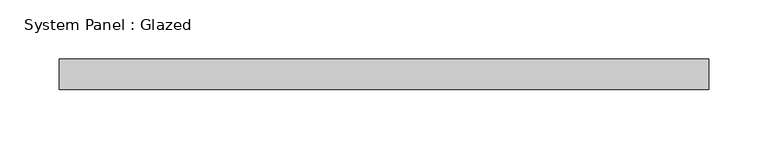
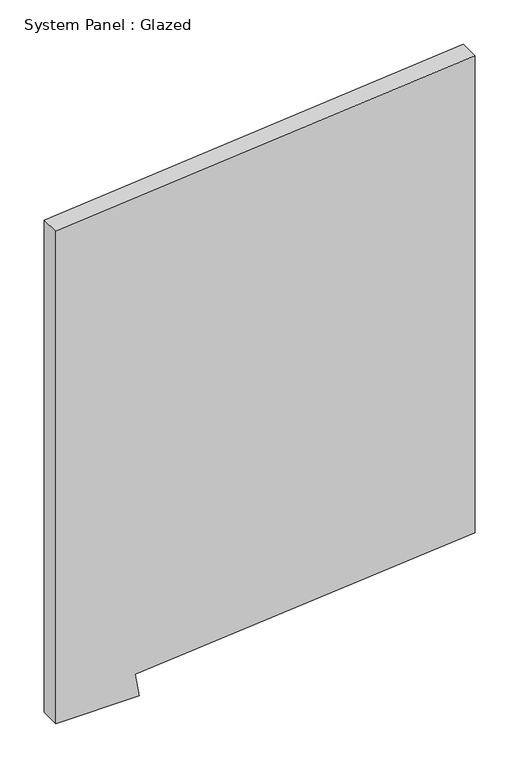
"""IFC4 building model written with IfcOpenShell, lengths in millimetres: plate geometry, System Panel : Glazed."""

from ifc_helpers import new_model, si_unit, frame, origin, place, context, project, spatial, polyline, outline, extrude, source, transform, mapped, element, save


def system_panel_glazed_ad8c97ca(model_context):
    return source(origin(), model_context, "Body", "SweptSolid", [
        extrude(outline(polyline([(0.0, -273.05), (0.0, -163.8954845), (31.4913277, -169.6212572), (71.570103, 273.05), (728.3527338, 273.05), (677.5449863, -273.05), (0.0, -273.05)])), frame((0.0, 19.05, 0.0), z_axis=(0.0, 1.0, 0.0), x_axis=(0.0, 0.0, 1.0)), (0.0, 0.0, 1.0), 25.4),
    ])


if __name__ == "__main__":
    model = new_model("IFC4")
    model_context = context("Model", 3, world=origin())
    ifc_project = project(units=[si_unit("LENGTHUNIT", "METRE", prefix="MILLI")], contexts=[model_context])
    site = spatial("IfcSite", under=ifc_project)
    building = spatial("IfcBuilding", under=site)
    placement = place(None, origin())
    system_panel_glazed_shape = system_panel_glazed_ad8c97ca(model_context)
    element("IfcPlate", 1, ObjectType="System Panel : Glazed", at=placement, inside=building, context=model_context, shape_type="MappedRepresentation", body=[
        mapped(system_panel_glazed_shape, transform((0.0, 0.0, 0.0), x_axis=(1.0, 0.0, 0.0), y_axis=(0.0, 1.0, 0.0), z_axis=(0.0, 0.0, 1.0))),
    ])
    save(model, "model.ifc")
